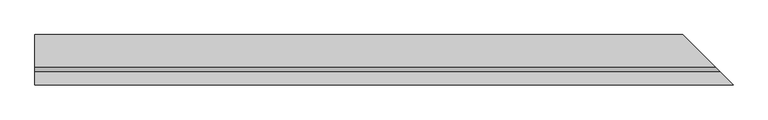
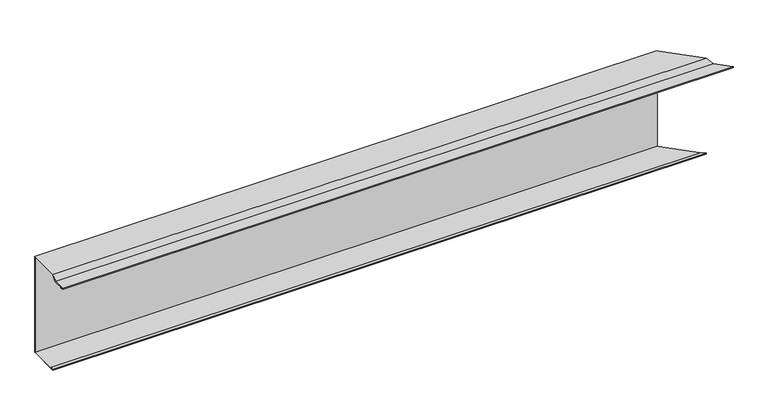
"""IFC4 building model written with IfcOpenShell, lengths in millimetres: proxy geometry."""

from ifc_helpers import new_model, si_unit, origin, place, context, project, spatial, faceted_brep, source, transform, mapped, element, save


def generic_models_fa0fe028(model_context):
    return source(origin(), model_context, "Body", "Brep", [
        faceted_brep([(0.0, -150.8492424, 2.0), (2150.8492424, -150.8492424, 2.0), (2150.8492424, -150.8492424, 5.0), (0.0, -150.8492424, 5.0), (0.0, -140.8492424, 2.0), (2140.8492424, -140.8492424, 2.0), (0.0, -140.8492424, 3.0), (2140.8492424, -140.8492424, 3.0), (0.0, -149.8492424, 3.0), (2149.8492424, -149.8492424, 3.0), (0.0, -149.8492424, 4.0), (2149.8492424, -149.8492424, 4.0), (0.0, -110.4350288, 4.0), (2110.4350288, -110.4350288, 4.0), (0.0, 3.0, -304.0), (1997.0, 3.0, -304.0), (1997.0, 3.0, 18.8492424), (0.0, 3.0, 18.8492424), (0.0, -95.0, -304.0), (2095.0, -95.0, -304.0), (2000.0, 0.0, -304.0), (0.0, 0.0, -304.0), (0.0, -95.0, -303.0), (2095.0, -95.0, -303.0), (0.0, -86.0, -303.0), (2086.0, -86.0, -303.0), (0.0, -86.0, -302.0), (2086.0, -86.0, -302.0), (0.0, -96.0, -302.0), (2096.0, -96.0, -302.0), (0.0, -96.0, -305.0), (2096.0, -96.0, -305.0), (0.0, 0.0, -305.0), (0.0, 4.0, -305.0), (1996.0, 4.0, -305.0), (2000.0, 0.0, -305.0), (0.0, 4.0, 19.8492424), (1996.0, 4.0, 19.8492424), (2110.8492424, -110.8492424, 5.0), (0.0, -110.8492424, 5.0), (0.0, -95.5857864, 18.8492424), (2095.5857864, -95.5857864, 18.8492424), (0.0, 0.0, 18.8492424), (2000.0, 0.0, 18.8492424), (0.0, -96.0, 19.8492424), (2096.0, -96.0, 19.8492424), (2000.0, 0.0, 19.8492424), (0.0, 0.0, 19.8492424)], [[[0, 1, 2, 3]], [[4, 5, 1, 0]], [[6, 7, 5, 4]], [[8, 9, 7, 6]], [[10, 11, 9, 8]], [[12, 13, 11, 10]], [[14, 15, 16, 17]], [[18, 19, 20, 15, 14, 21]], [[22, 23, 19, 18]], [[24, 25, 23, 22]], [[26, 27, 25, 24]], [[28, 29, 27, 26]], [[30, 31, 29, 28]], [[32, 33, 34, 35, 31, 30]], [[36, 37, 34, 33]], [[3, 2, 38, 39]], [[40, 41, 13, 12]], [[42, 17, 16, 43, 41, 40]], [[44, 45, 46, 37, 36, 47]], [[39, 38, 45, 44]], [[32, 30, 28, 26, 24, 22, 18, 21]], [[42, 40, 12, 10, 8, 6, 4, 0, 3, 39, 44, 47]], [[21, 14, 17, 42, 47, 36, 33, 32]], [[20, 19, 23, 25, 27, 29, 31, 35]], [[46, 45, 38, 2, 1, 5, 7, 9, 11, 13, 41, 43]], [[35, 34, 37, 46, 43, 16, 15, 20]]]),
    ])


if __name__ == "__main__":
    model = new_model("IFC4")
    model_context = context("Model", 3, world=origin())
    ifc_project = project(units=[si_unit("LENGTHUNIT", "METRE", prefix="MILLI")], contexts=[model_context])
    site = spatial("IfcSite", under=ifc_project)
    building = spatial("IfcBuilding", under=site)
    placement = place(None, origin())
    generic_models_shape = generic_models_fa0fe028(model_context)
    element("IfcBuildingElementProxy", 1, Name="Generic Models", at=placement, inside=building, context=model_context, shape_type="MappedRepresentation", body=[
        mapped(generic_models_shape, transform((0.0, 0.0, 0.0), x_axis=(1.0, 0.0, 0.0), y_axis=(0.0, 1.0, 0.0), z_axis=(0.0, 0.0, 1.0))),
    ])
    save(model, "model.ifc")
